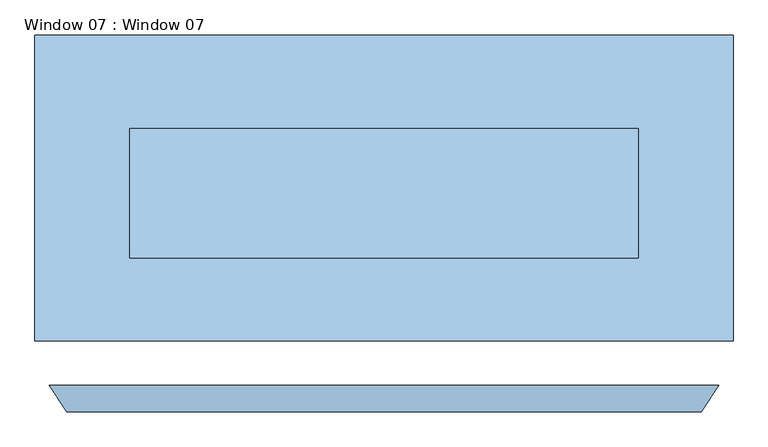
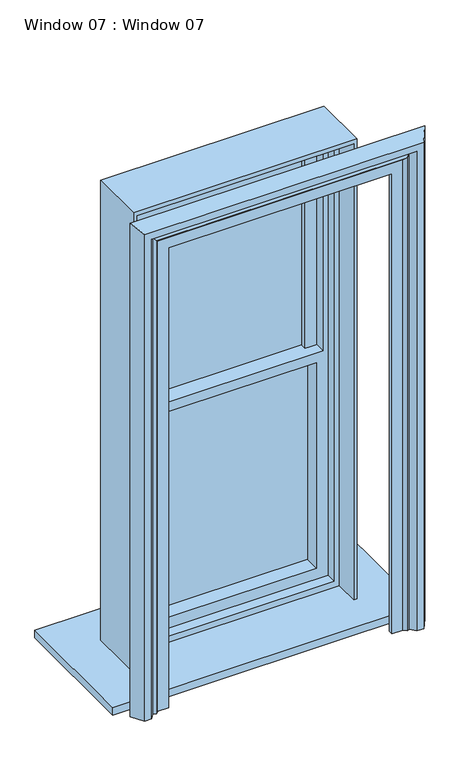
"""IFC4 building model written with IfcOpenShell, lengths in millimetres: window geometry, Window 07 : Window 07."""

from ifc_helpers import new_model, si_unit, frame, origin, place, context, project, spatial, polyline, outline, extrude, faceted_brep, source, transform, mapped, element, save


def window_07_window_07_4a7d2c51(model_context):
    return source(origin(), model_context, "Body", "SolidModel", [
        extrude(outline(polyline([(444.3636897, 59.69), (-444.3636897, 59.69), (-444.3636897, 85.09), (444.3636897, 85.09), (444.3636897, 59.69)])), frame((0.0, 0.0, 1041.4), z_axis=(0.0, 0.0, 1.0), x_axis=(1.0, 0.0, 0.0)), (0.0, 0.0, 1.0), 1054.1),
        extrude(outline(polyline([(745.998, -361.95), (-745.998, -361.95), (-745.998, 292.1), (745.998, 292.1), (745.998, -361.95)])), frame((0.0, 0.0, 914.4), z_axis=(0.0, 0.0, 1.0), x_axis=(1.0, 0.0, 0.0)), (0.0, 0.0, 1.0), 38.1),
        extrude(outline(polyline([(3313.176, 542.798), (3313.176, -542.798), (952.5, -542.798), (952.5, -526.9136897), (3294.028359, -526.9136897), (3294.028359, 526.9136897), (952.5, 526.9136897), (952.5, 542.798), (3313.176, 542.798)])), frame((0.0, -185.5924175, 0.0), z_axis=(0.0, 1.0, 0.0), x_axis=(0.0, 0.0, 1.0)), (0.0, 0.0, 1.0), 277.0324175),
        extrude(outline(polyline([(3294.028359, 526.9136897), (3294.028359, -526.9136897), (952.5, -526.9136897), (952.5, 526.9136897), (3294.028359, 526.9136897)]), holes=[polyline([(3274.978359, 501.5136897), (984.25, 501.5136897), (984.25, -501.5136897), (3274.978359, -501.5136897), (3274.978359, 501.5136897)])]), frame((0.0, -64.9424175, 0.0), z_axis=(0.0, 1.0, 0.0), x_axis=(0.0, 0.0, 1.0)), (0.0, 0.0, 1.0), 156.3824175),
        extrude(outline(polyline([(3274.978359, 501.5136897), (3274.978359, -501.5136897), (984.25, -501.5136897), (984.25, 501.5136897), (3274.978359, 501.5136897)]), holes=[polyline([(2146.3, 476.1136897), (2146.3, -476.1136897), (3224.178359, -476.1136897), (3224.178359, 476.1136897), (2146.3, 476.1136897)]), polyline([(2095.5, 444.3636897), (1041.4, 444.3636897), (1041.4, -444.3636897), (2095.5, -444.3636897), (2095.5, 444.3636897)])]), frame((0.0, -14.1424175, 0.0), z_axis=(0.0, 1.0, 0.0), x_axis=(0.0, 0.0, 1.0)), (0.0, 0.0, 1.0), 105.5824175),
        extrude(outline(polyline([(3224.178359, -476.1136897), (2146.3, -476.1136897), (2146.3, -418.9636897), (3198.778359, -418.9636897), (3198.778359, 418.9636897), (2146.3, 418.9636897), (2146.3, 476.1136897), (3224.178359, 476.1136897), (3224.178359, -476.1136897)])), frame((0.0, 36.6575825, 0.0), z_axis=(0.0, 1.0, 0.0), x_axis=(0.0, 0.0, 1.0)), (0.0, 0.0, 1.0), 54.7824175),
        extrude(outline(polyline([(418.9636897, 65.9816972), (-418.9636897, 65.9816972), (-418.9636897, 91.44), (418.9636897, 91.44), (418.9636897, 65.9816972)])), frame((0.0, 0.0, 2146.3), z_axis=(0.0, 0.0, 1.0), x_axis=(1.0, 0.0, 0.0)), (0.0, 0.0, 1.0), 1052.478359),
        faceted_brep([(715.4153887, -457.2, 952.5), (677.7358113, -513.8979492, 952.5), (643.2726197, -513.8979492, 952.5), (623.3357483, -487.3641439, 952.5), (609.1721356, -493.1150403, 952.5), (595.9656242, -480.3976797, 952.5), (542.798, -480.3976797, 952.5), (542.798, -457.2, 952.5), (715.4153887, -457.2, 3485.7933887), (677.7358113, -513.8979492, 3448.1138113), (-677.7358113, -513.8979492, 3448.1138113), (-677.7358113, -513.8979492, 952.5), (-643.2726197, -513.8979492, 952.5), (-643.2726197, -513.8979492, 3413.6506197), (643.2726197, -513.8979492, 3413.6506197), (623.3357483, -487.3641439, 3393.7137483), (609.1721356, -493.1150403, 3379.5501356), (595.9656242, -480.3976797, 3366.3436242), (-595.9656242, -480.3976797, 3366.3436242), (-595.9656242, -480.3976797, 952.5), (-542.798, -480.3976797, 952.5), (-542.798, -480.3976797, 3313.176), (542.798, -480.3976797, 3313.176), (542.798, -457.2, 3313.176), (-542.798, -457.2, 3313.176), (-542.798, -457.2, 952.5), (-715.4153887, -457.2, 952.5), (-715.4153887, -457.2, 3485.7933887), (-609.1721356, -493.1150403, 952.5), (-623.3357483, -487.3641439, 952.5), (-609.1721356, -493.1150403, 3379.5501356), (-623.3357483, -487.3641439, 3393.7137483)], [[[0, 1, 2, 3, 4, 5, 6, 7]], [[1, 0, 8, 9]], [[2, 1, 9, 10, 11, 12, 13, 14]], [[3, 2, 14, 15]], [[4, 3, 15, 16]], [[5, 4, 16, 17]], [[6, 5, 17, 18, 19, 20, 21, 22]], [[7, 6, 22, 23]], [[0, 7, 23, 24, 25, 26, 27, 8]], [[26, 25, 20, 19, 28, 29, 12, 11]], [[24, 21, 20, 25]], [[18, 30, 28, 19]], [[30, 31, 29, 28]], [[31, 13, 12, 29]], [[10, 27, 26, 11]], [[17, 16, 30, 18]], [[23, 22, 21, 24]], [[16, 15, 31, 30]], [[15, 14, 13, 31]], [[9, 8, 27, 10]]]),
    ])


if __name__ == "__main__":
    model = new_model("IFC4")
    model_context = context("Model", 3, world=origin())
    ifc_project = project(units=[si_unit("LENGTHUNIT", "METRE", prefix="MILLI")], contexts=[model_context])
    site = spatial("IfcSite", under=ifc_project)
    building = spatial("IfcBuilding", under=site)
    placement = place(None, origin())
    window_07_window_07_shape = window_07_window_07_4a7d2c51(model_context)
    element("IfcWindow", 1, ObjectType="Window 07 : Window 07", at=placement, inside=building, context=model_context, shape_type="MappedRepresentation", body=[
        mapped(window_07_window_07_shape, transform((0.0, 0.0, 0.0), x_axis=(1.0, 0.0, 0.0), y_axis=(0.0, 1.0, 0.0), z_axis=(0.0, 0.0, 1.0))),
    ])
    save(model, "model.ifc")
